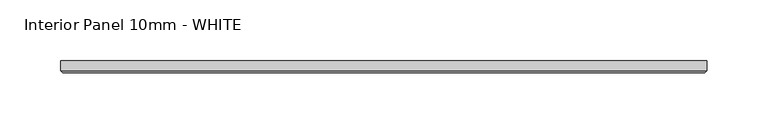
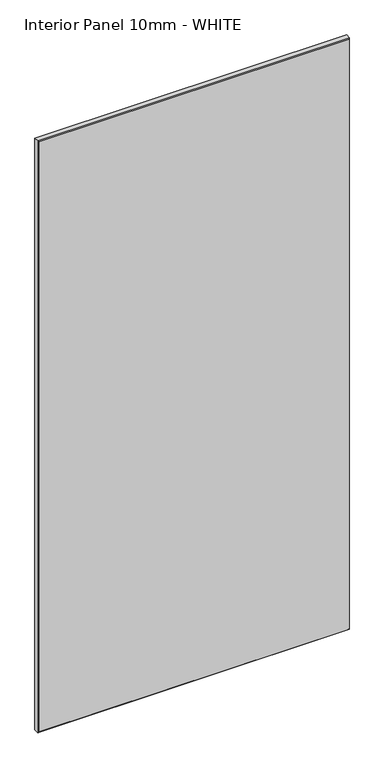
"""IFC4 building model written with IfcOpenShell, lengths in millimetres: proxy geometry, Interior Panel 10mm - WHITE."""

import ifcopenshell
import ifcopenshell.guid

model = None  # the IFC model being written
_history = None  # IfcOwnerHistory: only IFC2X3 demands one
_inside = {}  # id of a spatial element -> (the spatial element, [elements in it])
_under = {}  # id of a project, library or spatial element -> (it, [spatial elements below it])
_declared = {}  # id of a project -> (the project, [libraries it declares])
_typed = {}  # id of a type object -> (the type object, [elements of that type])
_made_of = {}  # id of a material, layer set ... -> (it, [elements and type objects made of it])


def new_model(schema):
    """Start an empty IFC model of exactly this schema.

    Asked for "IFC4X3", IfcOpenShell would pick the latest addendum, in which some entities
    have other attributes; the version numbers below select the first issue.
    IFC2X3 requires an IfcOwnerHistory on every rooted entity: one is made here for all.
    """
    global model, _history
    if schema == "IFC4X3":
        model = ifcopenshell.file(schema_version=(4, 3, 0, 0))
    else:
        model = ifcopenshell.file(schema=schema)
    _inside.clear()
    _under.clear()
    _declared.clear()
    _typed.clear()
    _made_of.clear()
    _history = None
    if model.schema == "IFC2X3":
        org = make("IfcOrganization", Name="unknown")
        user = make(
            "IfcPersonAndOrganization",
            ThePerson=make("IfcPerson", FamilyName="unknown"),
            TheOrganization=org,
        )
        app = make(
            "IfcApplication",
            ApplicationDeveloper=org,
            Version="unknown",
            ApplicationFullName="unknown",
            ApplicationIdentifier="unknown",
        )
        _history = make(
            "IfcOwnerHistory",
            OwningUser=user,
            OwningApplication=app,
            ChangeAction="ADDED",
            CreationDate=0,
        )
    return model


def make(cls, **values):
    """One entity of the class cls with the attributes given. An attribute that is None is left unset."""
    return model.create_entity(
        cls, **{name: value for name, value in values.items() if value is not None}
    )


def rooted(cls, **values):
    """An entity with a GlobalId (a new one), such as an element, a storey or a relation."""
    return make(cls, GlobalId=ifcopenshell.guid.new(), OwnerHistory=_history, **values)


def si_unit(unit_type, name, prefix=None):
    """IfcSIUnit, for example si_unit("LENGTHUNIT", "METRE", prefix="MILLI")."""
    return make("IfcSIUnit", UnitType=unit_type, Prefix=prefix, Name=name)


def assignment(units):
    """IfcUnitAssignment: the units of a project."""
    return None if units is None else make("IfcUnitAssignment", Units=units)


def point(xyz):
    """IfcCartesianPoint."""
    return None if xyz is None else make("IfcCartesianPoint", Coordinates=xyz)


def direction(xyz):
    """IfcDirection."""
    return None if xyz is None else make("IfcDirection", DirectionRatios=xyz)


def frame(location, z_axis=None, x_axis=None):
    """IfcAxis2Placement3D, a coordinate frame: its origin and axes. An axis left out is left unset."""
    return make(
        "IfcAxis2Placement3D",
        Location=point(location),
        Axis=direction(z_axis),
        RefDirection=direction(x_axis),
    )


def origin():
    """The frame at (0, 0, 0) with its axes left unset."""
    return frame((0.0, 0.0, 0.0))


def place(relative_to, where):
    """IfcLocalPlacement: puts the frame where relative to a parent placement (None: the world)."""
    return make(
        "IfcLocalPlacement", PlacementRelTo=relative_to, RelativePlacement=where
    )


def context(
    kind, dimensions, precision=None, world=None, true_north=None, identifier=None
):
    """IfcGeometricRepresentationContext, for example the 3D "Model" context."""
    return make(
        "IfcGeometricRepresentationContext",
        ContextIdentifier=identifier,
        ContextType=kind,
        CoordinateSpaceDimension=dimensions,
        Precision=precision,
        WorldCoordinateSystem=world,
        TrueNorth=true_north,
    )


def project(units=None, contexts=None):
    """IfcProject with its units and contexts."""
    return rooted(
        "IfcProject",
        Name="project",
        RepresentationContexts=contexts,
        UnitsInContext=assignment(units),
    )


def spatial(cls, under=None, at=None, **own):
    """A site, building, storey or space (cls), placed at a placement, below another one or the project."""
    s = rooted(cls, ObjectPlacement=at, **own)
    if under is not None:
        _under.setdefault(under.id(), (under, []))[1].append(s)
    return s


def faces_of(points, faces, orient=None, outer=None):
    """IfcFace entities. A face is a list of loops; a loop is a list of indices into points, from 0.

    orient and outer hold one flag for each loop. By default every Orientation is true, the
    first loop of a face is its IfcFaceOuterBound and the others are IfcFaceBound.
    """
    made = []
    for i, loops in enumerate(faces):
        bounds = []
        for j, loop in enumerate(loops):
            is_outer = j == 0 if outer is None else outer[i][j]
            bounds.append(
                make(
                    "IfcFaceOuterBound" if is_outer else "IfcFaceBound",
                    Bound=make("IfcPolyLoop", Polygon=[points[k] for k in loop]),
                    Orientation=True if orient is None else orient[i][j],
                )
            )
        made.append(make("IfcFace", Bounds=bounds))
    return made


def faceted_brep(points, faces, orient=None, outer=None, voids=None):
    """IfcFacetedBrep: a solid bounded by flat faces; with voids (closed shells), ...WithVoids."""
    shared = [point(p) for p in points]
    hull = make("IfcClosedShell", CfsFaces=faces_of(shared, faces, orient, outer))
    if voids is None:
        return make("IfcFacetedBrep", Outer=hull)
    return make(
        "IfcFacetedBrepWithVoids",
        Outer=hull,
        Voids=[
            make(cls, CfsFaces=faces_of(shared, fs, o, b)) for cls, fs, o, b in voids
        ],
    )


def shape(context_of_items, identifier, shape_type, items):
    """IfcShapeRepresentation: the items that make up one representation, for example the "Body"."""
    return make(
        "IfcShapeRepresentation",
        ContextOfItems=context_of_items,
        RepresentationIdentifier=identifier,
        RepresentationType=shape_type,
        Items=items,
    )


def source(mapping_origin, context_of_items, identifier, shape_type, items):
    """IfcRepresentationMap: a shape defined once, which mapped items show again and again."""
    return make(
        "IfcRepresentationMap",
        MappingOrigin=mapping_origin,
        MappedRepresentation=shape(context_of_items, identifier, shape_type, items),
    )


def transform(
    local_origin,
    x_axis=None,
    y_axis=None,
    z_axis=None,
    scale=None,
    scale2=None,
    scale3=None,
    uniform=True,
):
    """IfcCartesianTransformationOperator3D, or its non-uniform kind. x_axis, y_axis, z_axis: its Axis1, 2, 3."""
    if uniform:
        return make(
            "IfcCartesianTransformationOperator3D",
            Axis1=direction(x_axis),
            Axis2=direction(y_axis),
            LocalOrigin=point(local_origin),
            Scale=scale,
            Axis3=direction(z_axis),
        )
    return make(
        "IfcCartesianTransformationOperator3DnonUniform",
        Axis1=direction(x_axis),
        Axis2=direction(y_axis),
        LocalOrigin=point(local_origin),
        Scale=scale,
        Axis3=direction(z_axis),
        Scale2=scale2,
        Scale3=scale3,
    )


def mapped(mapping_source, mapping_target):
    """IfcMappedItem: shows the shape of a source again, moved by a transform."""
    return make(
        "IfcMappedItem", MappingSource=mapping_source, MappingTarget=mapping_target
    )


def made_of(thing, what):
    """Note that an element or type object is made of a material, layer set ...; save() writes the relation."""
    if what is not None:
        _made_of.setdefault(what.id(), (what, []))[1].append(thing)
    return thing


def element(
    cls,
    number,
    at=None,
    inside=None,
    cuts=None,
    type_object=None,
    material=None,
    context=None,
    identifier="Body",
    shape_type=None,
    held_by="IfcProductDefinitionShape",
    body=None,
    shapes=None,
    **own,
):
    """One element of the class cls, such as IfcWall. Its Tag is "e" and its number.

    at: its placement. inside: the storey or other place that contains it. cuts: it is an
    opening in that element (IfcRelVoidsElement). A single representation is given by context,
    identifier, shape_type and body (its items); several are given by shapes. held_by: the class
    of the entity that holds the representations. save() writes the other relations.
    """
    e = rooted(cls, Tag="e%d" % number, ObjectPlacement=at, **own)
    if body is not None:
        shapes = [shape(context, identifier, shape_type, body)]
    if shapes is not None:
        e.Representation = make(held_by, Representations=shapes)
    if inside is not None:
        _inside.setdefault(inside.id(), (inside, []))[1].append(e)
    if cuts is not None:
        rooted(
            "IfcRelVoidsElement", RelatingBuildingElement=cuts, RelatedOpeningElement=e
        )
    if type_object is not None:
        _typed.setdefault(type_object.id(), (type_object, []))[1].append(e)
    return made_of(e, material)


def aggregate(whole, parts):
    """IfcRelAggregates: a whole, such as a stair, and the parts it consists of."""
    return rooted("IfcRelAggregates", RelatingObject=whole, RelatedObjects=parts)


def save(model, path):
    """Write the relations noted so far, then the file.

    IfcRelAggregates (storeys below a building ...), IfcRelContainedInSpatialStructure (elements
    in a storey), IfcRelDefinesByType, IfcRelAssociatesMaterial and IfcRelDeclares: one each for
    every whole, place, type object, material and project.
    """
    for whole, parts in _under.values():
        aggregate(whole, parts)
    for where, things in _inside.values():
        rooted(
            "IfcRelContainedInSpatialStructure",
            RelatedElements=things,
            RelatingStructure=where,
        )
    for kind, things in _typed.values():
        rooted("IfcRelDefinesByType", RelatedObjects=things, RelatingType=kind)
    for what, things in _made_of.values():
        rooted("IfcRelAssociatesMaterial", RelatedObjects=things, RelatingMaterial=what)
    for by, libraries in _declared.values():
        rooted("IfcRelDeclares", RelatingContext=by, RelatedDefinitions=libraries)
    model.write(path)


def interior_panel_10mm_white_1d9df56c(model_context):
    return source(origin(), model_context, "Body", "Brep", [
        faceted_brep([(457.2, 3.175, 1063.625), (-73.025, 3.175, 1063.625), (-73.025, -4.7625, 1063.625), (457.2, -4.7625, 1063.625), (457.2, 3.175, 0.0), (457.2, -4.7625, 0.0), (-73.025, -4.7625, 0.0), (-73.025, 3.175, 0.0), (-71.4375, -6.35, 1062.0375), (-71.4375, -6.35, 1.5875), (455.6125, -6.35, 1.5875), (455.6125, -6.35, 1062.0375)], [[[0, 1, 2, 3]], [[4, 5, 6, 7]], [[1, 0, 4, 7]], [[2, 1, 7, 6]], [[8, 9, 10, 11]], [[0, 3, 5, 4]], [[2, 6, 9, 8]], [[5, 3, 11, 10]], [[3, 2, 8, 11]], [[6, 5, 10, 9]]]),
    ])


if __name__ == "__main__":
    model = new_model("IFC4")
    model_context = context("Model", 3, world=origin())
    ifc_project = project(units=[si_unit("LENGTHUNIT", "METRE", prefix="MILLI")], contexts=[model_context])
    site = spatial("IfcSite", under=ifc_project)
    building = spatial("IfcBuilding", under=site)
    placement = place(None, origin())
    interior_panel_10mm_white_shape = interior_panel_10mm_white_1d9df56c(model_context)
    element("IfcBuildingElementProxy", 1, Name="Interior Panel 10mm - WHITE", ObjectType="Interior Panel 10mm - WHITE", at=placement, inside=building, context=model_context, shape_type="MappedRepresentation", body=[
        mapped(interior_panel_10mm_white_shape, transform((0.0, 0.0, 0.0), x_axis=(1.0, 0.0, 0.0), y_axis=(0.0, 1.0, 0.0), z_axis=(0.0, 0.0, 1.0))),
    ])
    save(model, "model.ifc")
